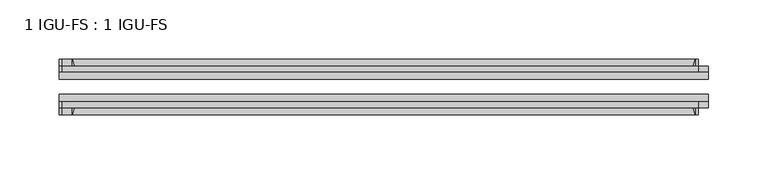
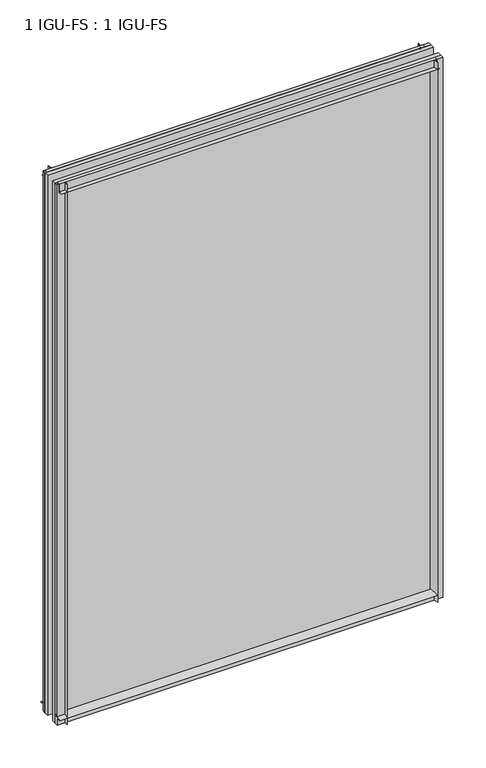
"""IFC4 building model written with IfcOpenShell, lengths in millimetres: plate geometry, 1 IGU-FS : 1 IGU-FS."""

from ifc_helpers import new_model, si_unit, point, frame, frame_2d, origin, place, context, project, spatial, polyline, circle_curve, trimmed, segment, composite_curve, outline, extrude, source, transform, mapped, element, save


def plate_1_igu_fs_1_igu_fs_e79d4ca4(model_context):
    return source(origin(), model_context, "Body", "SweptSolid", [
        extrude(outline(composite_curve([segment(polyline([(-40.084375, 3.8978906), (-40.084375, -10.3378), (-44.859575, -10.3378), (-44.859575, 0.0), (-50.8285753, 0.0)]), True, "CONTINUOUS"), segment(trimmed(circle_curve(frame_2d((-56.4601953, 32.279754)), 32.7673262), [point((-50.8285753, 0.0))], [point((-40.084375, 3.8978906))], True, "CARTESIAN"), True, "CONTINUOUS")], self_intersect=False)), frame((-274.6398813, 0.0, 0.0), z_axis=(1.0, 0.0, 0.0), x_axis=(0.0, 1.0, 0.0)), (0.0, 0.0, 1.0), 538.1672625),
        extrude(outline(composite_curve([segment(polyline([(-3.940175, 0.0), (-9.909175, 0.0), (-9.909175, -10.3378), (-14.684375, -10.3378), (-14.684375, 3.8978906)]), True, "CONTINUOUS"), segment(trimmed(circle_curve(frame_2d((1.6914453, 32.279754)), 32.7673262), [point((-14.684375, 3.8978906))], [point((-3.940175, 0.0))], True, "CARTESIAN"), True, "CONTINUOUS")], self_intersect=False)), frame((-274.6398813, 0.0, 0.0), z_axis=(1.0, 0.0, 0.0), x_axis=(0.0, 1.0, 0.0)), (0.0, 0.0, 1.0), 538.1672625),
        extrude(outline(composite_curve([segment(polyline([(-9.909175, 801.6875), (-9.909175, 790.575), (-3.9401753, 790.575)]), True, "CONTINUOUS"), segment(trimmed(circle_curve(frame_2d((1.6914453, 758.2952461)), 32.7673262), [point((-3.9401753, 790.575))], [point((-14.684375, 786.6771095))], True, "CARTESIAN"), True, "CONTINUOUS"), segment(polyline([(-14.684375, 786.6771095), (-14.684375, 801.6875), (-9.909175, 801.6875)]), True, "CONTINUOUS")], self_intersect=False)), frame((-272.0401199, 0.0, 0.0), z_axis=(1.0, 0.0, 0.0), x_axis=(0.0, 1.0, 0.0)), (0.0, 0.0, 1.0), 538.1134626),
        extrude(outline(composite_curve([segment(polyline([(-40.084375, 801.6875), (-40.084375, 786.6771095)]), True, "CONTINUOUS"), segment(trimmed(circle_curve(frame_2d((-56.4601953, 758.2952461)), 32.7673262), [point((-40.084375, 786.6771095))], [point((-50.8285747, 790.575))], True, "CARTESIAN"), True, "CONTINUOUS"), segment(polyline([(-50.8285747, 790.575), (-44.859575, 790.575), (-44.859575, 801.6875), (-40.084375, 801.6875)]), True, "CONTINUOUS")], self_intersect=False)), frame((-272.0401199, 0.0, 0.0), z_axis=(1.0, 0.0, 0.0), x_axis=(0.0, 1.0, 0.0)), (0.0, 0.0, 1.0), 538.1134626),
        extrude(outline(composite_curve([segment(polyline([(274.6398813, -9.909175), (274.6398813, -14.684375), (259.6294907, -14.684375)]), True, "CONTINUOUS"), segment(trimmed(circle_curve(frame_2d((231.2476273, 1.6914453)), 32.7673262), [point((259.6294907, -14.684375))], [point((263.5273813, -3.940175))], True, "CARTESIAN"), True, "CONTINUOUS"), segment(polyline([(263.5273813, -3.940175), (263.5273813, -9.909175), (274.6398813, -9.909175)]), True, "CONTINUOUS")], self_intersect=False)), frame((0.0, 0.0, -10.31875), z_axis=(0.0, 0.0, 1.0), x_axis=(1.0, 0.0, 0.0)), (0.0, 0.0, 1.0), 812.00625),
        extrude(outline(composite_curve([segment(polyline([(274.6398813, -40.084375), (274.6398813, -44.859575), (263.5273813, -44.859575), (263.5273813, -50.828575)]), True, "CONTINUOUS"), segment(trimmed(circle_curve(frame_2d((231.2476273, -56.4601953)), 32.7673262), [point((263.5273813, -50.828575))], [point((259.6294907, -40.084375))], True, "CARTESIAN"), True, "CONTINUOUS"), segment(polyline([(259.6294907, -40.084375), (274.6398813, -40.084375)]), True, "CONTINUOUS")], self_intersect=False)), frame((0.0, 0.0, -10.31875), z_axis=(0.0, 0.0, 1.0), x_axis=(1.0, 0.0, 0.0)), (0.0, 0.0, 1.0), 812.00625),
        extrude(outline(composite_curve([segment(polyline([(-274.6398812, -9.909175), (-263.5273812, -9.909175), (-263.5273812, -3.940175)]), True, "CONTINUOUS"), segment(trimmed(circle_curve(frame_2d((-231.2476273, 1.6914453)), 32.7673262), [point((-263.5273812, -3.940175))], [point((-259.6294907, -14.684375))], True, "CARTESIAN"), True, "CONTINUOUS"), segment(polyline([(-259.6294907, -14.684375), (-274.6398812, -14.684375), (-274.6398812, -9.909175)]), True, "CONTINUOUS")], self_intersect=False)), frame((0.0, 0.0, -10.31875), z_axis=(0.0, 0.0, 1.0), x_axis=(1.0, 0.0, 0.0)), (0.0, 0.0, 1.0), 812.00625),
        extrude(outline(composite_curve([segment(polyline([(-274.6398812, -44.859575), (-274.6398812, -40.084375), (-259.6294907, -40.084375)]), True, "CONTINUOUS"), segment(trimmed(circle_curve(frame_2d((-231.2476273, -56.4601953)), 32.7673262), [point((-259.6294907, -40.084375))], [point((-263.5273812, -50.828575))], True, "CARTESIAN"), True, "CONTINUOUS"), segment(polyline([(-263.5273812, -50.828575), (-263.5273812, -44.859575), (-274.6398812, -44.859575)]), True, "CONTINUOUS")], self_intersect=False)), frame((0.0, 0.0, -10.31875), z_axis=(0.0, 0.0, 1.0), x_axis=(1.0, 0.0, 0.0)), (0.0, 0.0, 1.0), 812.00625),
        extrude(outline(polyline([(-274.6398813, -40.084375), (-274.6398813, -33.785175), (274.6398813, -33.785175), (274.6398813, -40.084375), (-274.6398813, -40.084375)])), frame((0.0, 0.0, -10.31875), z_axis=(0.0, 0.0, 1.0), x_axis=(1.0, 0.0, 0.0)), (0.0, 0.0, 1.0), 812.00625),
        extrude(outline(polyline([(274.6398813, -20.983575), (-274.6398813, -20.983575), (-274.6398813, -14.684375), (274.6398813, -14.684375), (274.6398813, -20.983575)])), frame((0.0, 0.0, -10.31875), z_axis=(0.0, 0.0, 1.0), x_axis=(1.0, 0.0, 0.0)), (0.0, 0.0, 1.0), 812.00625),
    ])


if __name__ == "__main__":
    model = new_model("IFC4")
    model_context = context("Model", 3, world=origin())
    ifc_project = project(units=[si_unit("LENGTHUNIT", "METRE", prefix="MILLI")], contexts=[model_context])
    site = spatial("IfcSite", under=ifc_project)
    building = spatial("IfcBuilding", under=site)
    placement = place(None, origin())
    plate_1_igu_fs_1_igu_fs_shape = plate_1_igu_fs_1_igu_fs_e79d4ca4(model_context)
    element("IfcPlate", 1, ObjectType="1 IGU-FS : 1 IGU-FS", at=placement, inside=building, context=model_context, shape_type="MappedRepresentation", body=[
        mapped(plate_1_igu_fs_1_igu_fs_shape, transform((0.0, 0.0, 0.0), x_axis=(1.0, 0.0, 0.0), y_axis=(0.0, 1.0, 0.0), z_axis=(0.0, 0.0, 1.0))),
    ])
    save(model, "model.ifc")
